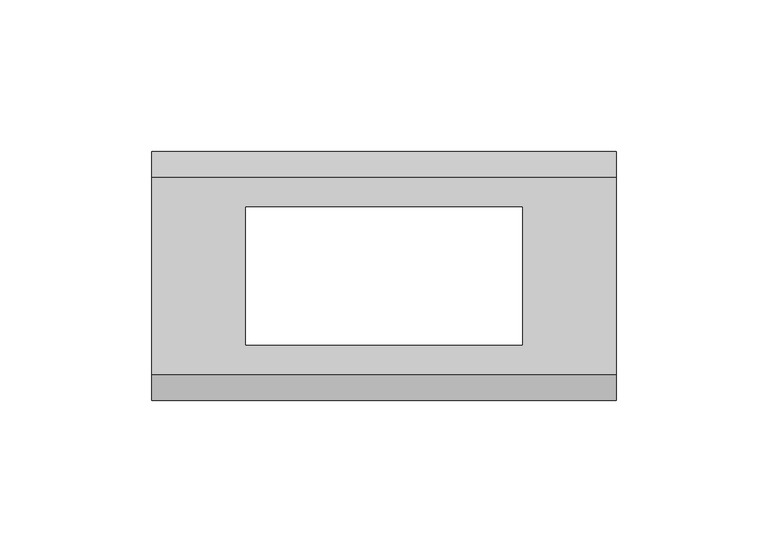
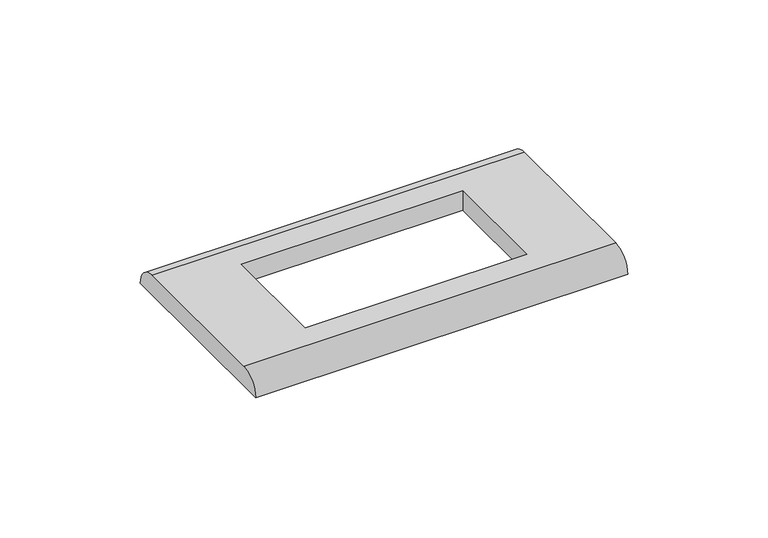
"""IFC4 building model written with IfcOpenShell, lengths in millimetres: proxy geometry."""

from ifc_helpers import new_model, si_unit, frame, origin, place, context, project, spatial, circle_curve, source, transform, mapped, element, save
from ifc_brep_helpers import plane_surface, cylinder_surface, advanced_brep


def electrical_fixtures_ce895b9b(model_context):
    return source(origin(), model_context, "Body", "AdvancedBrep", [
        advanced_brep(
        [(76.5, 32.5, 8.5), (-76.5, 32.5, 8.5), (-76.5, -32.5, 8.5), (76.5, -32.5, 8.5), (-45.5, 22.75, 8.5), (45.5, 22.75, 8.5), (45.5, -22.75, 8.5), (-45.5, -22.75, 8.5), (76.5, 41.0, 0.0), (76.5, -41.0, 0.0), (-76.5, -41.0, 0.0), (-76.5, 41.0, 0.0), (45.5, 22.75, 0.0), (-45.5, 22.75, 0.0), (-45.5, -22.75, 0.0), (45.5, -22.75, 0.0)],
        [
            (0, 1),
            (1, 2),
            (2, 3),
            (3, 0),
            (4, 5),
            (5, 6),
            (6, 7),
            (7, 4),
            (8, 9),
            (9, 10),
            (10, 11),
            (11, 8),
            (12, 13),
            (13, 14),
            (14, 15),
            (15, 12),
            (10, 2, circle_curve(frame((-76.5, -32.5, 0.0), z_axis=(-1.0, 0.0, 0.0), x_axis=(0.0, 1.0, 0.0)), 8.5)),
            (1, 11, circle_curve(frame((-76.5, 32.5, 0.0), z_axis=(-1.0, 0.0, 0.0), x_axis=(0.0, -1.0, 0.0)), 8.5)),
            (8, 0, circle_curve(frame((76.5, 32.5, 0.0), z_axis=(1.0, 0.0, 0.0), x_axis=(0.0, -1.0, 0.0)), 8.5)),
            (3, 9, circle_curve(frame((76.5, -32.5, 0.0), z_axis=(1.0, 0.0, 0.0), x_axis=(0.0, 1.0, 0.0)), 8.5)),
            (4, 13),
            (12, 5),
            (7, 14),
            (6, 15),
        ],
        [
            plane_surface(frame((-76.5, 41.0, 8.5), z_axis=(0.0, 0.0, 1.0), x_axis=(0.0, -1.0, 0.0))),
            plane_surface(frame((-76.5, 41.0, 0.0), z_axis=(0.0, 0.0, -1.0), x_axis=(0.0, 1.0, 0.0))),
            plane_surface(frame((-76.5, 41.0, 8.5), z_axis=(-1.0, 0.0, 0.0), x_axis=(0.0, 0.0, -1.0))),
            plane_surface(frame((76.5, -41.0, 8.5), z_axis=(1.0, 0.0, 0.0), x_axis=(0.0, 0.0, -1.0))),
            plane_surface(frame((45.5, 22.75, 8.5), z_axis=(0.0, -1.0, 0.0), x_axis=(0.0, 0.0, -1.0))),
            plane_surface(frame((-45.5, 22.75, 8.5), z_axis=(1.0, 0.0, 0.0), x_axis=(0.0, 0.0, -1.0))),
            plane_surface(frame((-45.5, -22.75, 8.5), z_axis=(0.0, 1.0, 0.0), x_axis=(0.0, 0.0, -1.0))),
            plane_surface(frame((45.5, -22.75, 8.5), z_axis=(-1.0, 0.0, 0.0), x_axis=(0.0, 0.0, -1.0))),
            cylinder_surface(frame((76.5, 32.5, 0.0), z_axis=(-1.0, 0.0, 0.0), x_axis=(0.0, -1.0, 0.0)), 8.5),
            cylinder_surface(frame((76.5, -32.5, 0.0), z_axis=(-1.0, 0.0, 0.0), x_axis=(0.0, 1.0, 0.0)), 8.5),
        ],
        [
            (0, [[1, 2, 3, 4], [5, 6, 7, 8]]),
            (1, [[9, 10, 11, 12], [13, 14, 15, 16]]),
            (2, [[-11, 17, -2, 18]]),
            (3, [[-9, 19, -4, 20]]),
            (4, [[21, -13, 22, -5]]),
            (5, [[-21, -8, 23, -14]]),
            (6, [[-23, -7, 24, -15]]),
            (7, [[-22, -16, -24, -6]]),
            (8, [[-1, -19, -12, -18]]),
            (9, [[-3, -17, -10, -20]]),
        ],
    ),
    ])


if __name__ == "__main__":
    model = new_model("IFC4")
    model_context = context("Model", 3, world=origin())
    ifc_project = project(units=[si_unit("LENGTHUNIT", "METRE", prefix="MILLI")], contexts=[model_context])
    site = spatial("IfcSite", under=ifc_project)
    building = spatial("IfcBuilding", under=site)
    placement = place(None, origin())
    electrical_fixtures_shape = electrical_fixtures_ce895b9b(model_context)
    element("IfcBuildingElementProxy", 1, Name="Electrical Fixtures", at=placement, inside=building, context=model_context, shape_type="MappedRepresentation", body=[
        mapped(electrical_fixtures_shape, transform((0.0, 0.0, 0.0), x_axis=(1.0, 0.0, 0.0), y_axis=(0.0, 1.0, 0.0), z_axis=(0.0, 0.0, 1.0))),
    ])
    save(model, "model.ifc")
